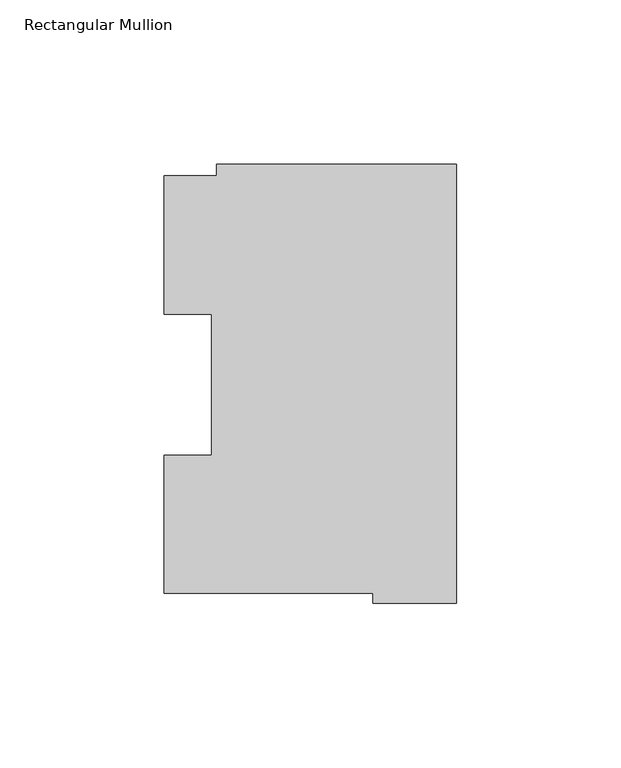
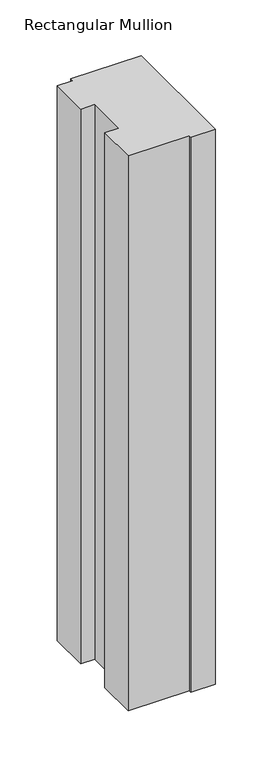
"""IFC4 building model written with IfcOpenShell, lengths in millimetres: member geometry, Rectangular Mullion."""

from ifc_helpers import new_model, si_unit, frame, origin, place, context, project, spatial, polyline, outline, extrude, source, transform, mapped, element, save


def rectangular_mullion_32c6ce8c(model_context):
    return source(origin(), model_context, "Body", "SweptSolid", [
        extrude(outline(polyline([(-88.8772701, 127.006348), (-73.025, 127.006348), (-73.025, 130.4246837), (0.0, 130.4246837), (0.0, -2.939538), (-25.3772701, -2.939538), (-25.3772701, 0.0063465), (-88.8772701, 0.0063465), (-88.8772701, 42.0814491), (-74.4684922, 42.0814491), (-74.4684922, 84.93125), (-88.8772701, 84.93125), (-88.8772701, 127.006348)])), frame((0.0, 0.0, -609.6), z_axis=(0.0, 0.0, 1.0), x_axis=(1.0, 0.0, 0.0)), (0.0, 0.0, 1.0), 609.6),
    ])


if __name__ == "__main__":
    model = new_model("IFC4")
    model_context = context("Model", 3, world=origin())
    ifc_project = project(units=[si_unit("LENGTHUNIT", "METRE", prefix="MILLI")], contexts=[model_context])
    site = spatial("IfcSite", under=ifc_project)
    building = spatial("IfcBuilding", under=site)
    placement = place(None, origin())
    rectangular_mullion_shape = rectangular_mullion_32c6ce8c(model_context)
    element("IfcMember", 1, ObjectType="Rectangular Mullion", at=placement, inside=building, context=model_context, shape_type="MappedRepresentation", body=[
        mapped(rectangular_mullion_shape, transform((0.0, 0.0, 0.0), x_axis=(1.0, 0.0, 0.0), y_axis=(0.0, 1.0, 0.0), z_axis=(0.0, 0.0, 1.0))),
    ])
    save(model, "model.ifc")
